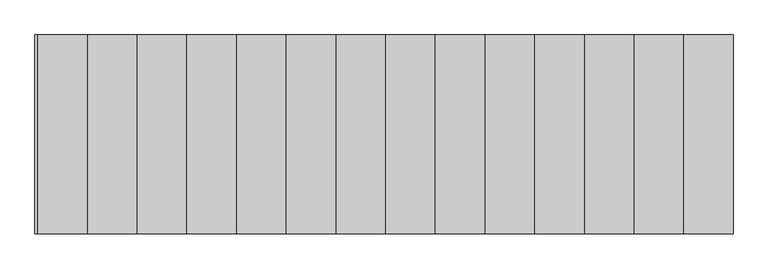
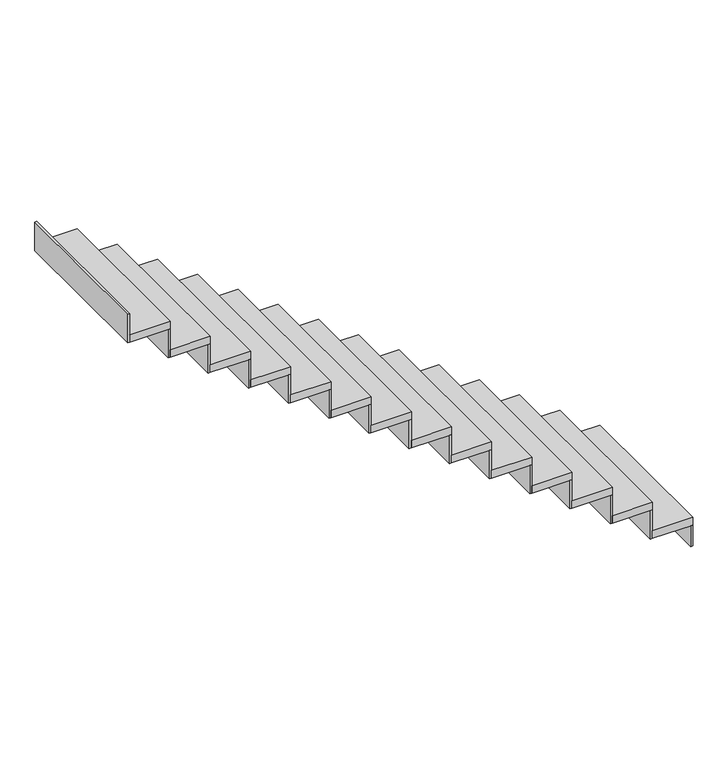
"""IFC4 building model written with IfcOpenShell, lengths in millimetres: stair flight geometry."""

from ifc_helpers import new_model, si_unit, frame, origin, origin_with_axes, place, context, project, spatial, polyline, outline, extrude, source, transform, mapped, element, save


def stair_flight_abc99ac1(model_context):
    return source(origin(), model_context, "Body", "SweptSolid", [
        extrude(outline(polyline([(-7668.7558601, -656.6746244), (-7656.2558601, -656.6746244), (-7656.2558601, -1656.6746244), (-7668.7558601, -1656.6746244), (-7668.7558601, -656.6746244)])), origin_with_axes(), (0.0, 0.0, 1.0), 136.6666667),
        extrude(outline(polyline([(-7906.2558601, -1656.6746244), (-7906.2558601, -656.6746244), (-7656.2558601, -656.6746244), (-7656.2558601, -1656.6746244), (-7906.2558601, -1656.6746244)])), frame((0.0, 0.0, 136.6666667), z_axis=(0.0, 0.0, 1.0), x_axis=(1.0, 0.0, 0.0)), (0.0, 0.0, 1.0), 50.0),
        extrude(outline(polyline([(-7918.7558601, -656.6746244), (-7906.2558601, -656.6746244), (-7906.2558601, -1656.6746244), (-7918.7558601, -1656.6746244), (-7918.7558601, -656.6746244)])), frame((0.0, 0.0, 136.6666667), z_axis=(0.0, 0.0, 1.0), x_axis=(1.0, 0.0, 0.0)), (0.0, 0.0, 1.0), 186.6666667),
        extrude(outline(polyline([(-8156.2558601, -1656.6746244), (-8156.2558601, -656.6746244), (-7906.2558601, -656.6746244), (-7906.2558601, -1656.6746244), (-8156.2558601, -1656.6746244)])), frame((0.0, 0.0, 323.3333333), z_axis=(0.0, 0.0, 1.0), x_axis=(1.0, 0.0, 0.0)), (0.0, 0.0, 1.0), 50.0),
        extrude(outline(polyline([(-8168.7558601, -656.6746244), (-8156.2558601, -656.6746244), (-8156.2558601, -1656.6746244), (-8168.7558601, -1656.6746244), (-8168.7558601, -656.6746244)])), frame((0.0, 0.0, 323.3333333), z_axis=(0.0, 0.0, 1.0), x_axis=(1.0, 0.0, 0.0)), (0.0, 0.0, 1.0), 186.6666667),
        extrude(outline(polyline([(-8406.2558601, -1656.6746244), (-8406.2558601, -656.6746244), (-8156.2558601, -656.6746244), (-8156.2558601, -1656.6746244), (-8406.2558601, -1656.6746244)])), frame((0.0, 0.0, 510.0), z_axis=(0.0, 0.0, 1.0), x_axis=(1.0, 0.0, 0.0)), (0.0, 0.0, 1.0), 50.0),
        extrude(outline(polyline([(-8418.7558601, -656.6746244), (-8406.2558601, -656.6746244), (-8406.2558601, -1656.6746244), (-8418.7558601, -1656.6746244), (-8418.7558601, -656.6746244)])), frame((0.0, 0.0, 510.0), z_axis=(0.0, 0.0, 1.0), x_axis=(1.0, 0.0, 0.0)), (0.0, 0.0, 1.0), 186.6666667),
        extrude(outline(polyline([(-8656.2558601, -1656.6746244), (-8656.2558601, -656.6746244), (-8406.2558601, -656.6746244), (-8406.2558601, -1656.6746244), (-8656.2558601, -1656.6746244)])), frame((0.0, 0.0, 696.6666667), z_axis=(0.0, 0.0, 1.0), x_axis=(1.0, 0.0, 0.0)), (0.0, 0.0, 1.0), 50.0),
        extrude(outline(polyline([(-8668.7558601, -656.6746244), (-8656.2558601, -656.6746244), (-8656.2558601, -1656.6746244), (-8668.7558601, -1656.6746244), (-8668.7558601, -656.6746244)])), frame((0.0, 0.0, 696.6666667), z_axis=(0.0, 0.0, 1.0), x_axis=(1.0, 0.0, 0.0)), (0.0, 0.0, 1.0), 186.6666667),
        extrude(outline(polyline([(-8906.2558601, -1656.6746244), (-8906.2558601, -656.6746244), (-8656.2558601, -656.6746244), (-8656.2558601, -1656.6746244), (-8906.2558601, -1656.6746244)])), frame((0.0, 0.0, 883.3333333), z_axis=(0.0, 0.0, 1.0), x_axis=(1.0, 0.0, 0.0)), (0.0, 0.0, 1.0), 50.0),
        extrude(outline(polyline([(-8918.7558601, -656.6746244), (-8906.2558601, -656.6746244), (-8906.2558601, -1656.6746244), (-8918.7558601, -1656.6746244), (-8918.7558601, -656.6746244)])), frame((0.0, 0.0, 883.3333333), z_axis=(0.0, 0.0, 1.0), x_axis=(1.0, 0.0, 0.0)), (0.0, 0.0, 1.0), 186.6666667),
        extrude(outline(polyline([(-9156.2558601, -1656.6746244), (-9156.2558601, -656.6746244), (-8906.2558601, -656.6746244), (-8906.2558601, -1656.6746244), (-9156.2558601, -1656.6746244)])), frame((0.0, 0.0, 1070.0), z_axis=(0.0, 0.0, 1.0), x_axis=(1.0, 0.0, 0.0)), (0.0, 0.0, 1.0), 50.0),
        extrude(outline(polyline([(-9168.7558601, -656.6746244), (-9156.2558601, -656.6746244), (-9156.2558601, -1656.6746244), (-9168.7558601, -1656.6746244), (-9168.7558601, -656.6746244)])), frame((0.0, 0.0, 1070.0), z_axis=(0.0, 0.0, 1.0), x_axis=(1.0, 0.0, 0.0)), (0.0, 0.0, 1.0), 186.6666667),
        extrude(outline(polyline([(-9406.2558601, -1656.6746244), (-9406.2558601, -656.6746244), (-9156.2558601, -656.6746244), (-9156.2558601, -1656.6746244), (-9406.2558601, -1656.6746244)])), frame((0.0, 0.0, 1256.6666667), z_axis=(0.0, 0.0, 1.0), x_axis=(1.0, 0.0, 0.0)), (0.0, 0.0, 1.0), 50.0),
        extrude(outline(polyline([(-9418.7558601, -656.6746244), (-9406.2558601, -656.6746244), (-9406.2558601, -1656.6746244), (-9418.7558601, -1656.6746244), (-9418.7558601, -656.6746244)])), frame((0.0, 0.0, 1256.6666667), z_axis=(0.0, 0.0, 1.0), x_axis=(1.0, 0.0, 0.0)), (0.0, 0.0, 1.0), 186.6666667),
        extrude(outline(polyline([(-9656.2558601, -1656.6746244), (-9656.2558601, -656.6746244), (-9406.2558601, -656.6746244), (-9406.2558601, -1656.6746244), (-9656.2558601, -1656.6746244)])), frame((0.0, 0.0, 1443.3333333), z_axis=(0.0, 0.0, 1.0), x_axis=(1.0, 0.0, 0.0)), (0.0, 0.0, 1.0), 50.0),
        extrude(outline(polyline([(-9668.7558601, -656.6746244), (-9656.2558601, -656.6746244), (-9656.2558601, -1656.6746244), (-9668.7558601, -1656.6746244), (-9668.7558601, -656.6746244)])), frame((0.0, 0.0, 1443.3333333), z_axis=(0.0, 0.0, 1.0), x_axis=(1.0, 0.0, 0.0)), (0.0, 0.0, 1.0), 186.6666667),
        extrude(outline(polyline([(-9906.2558601, -1656.6746244), (-9906.2558601, -656.6746244), (-9656.2558601, -656.6746244), (-9656.2558601, -1656.6746244), (-9906.2558601, -1656.6746244)])), frame((0.0, 0.0, 1630.0), z_axis=(0.0, 0.0, 1.0), x_axis=(1.0, 0.0, 0.0)), (0.0, 0.0, 1.0), 50.0),
        extrude(outline(polyline([(-9918.7558601, -656.6746244), (-9906.2558601, -656.6746244), (-9906.2558601, -1656.6746244), (-9918.7558601, -1656.6746244), (-9918.7558601, -656.6746244)])), frame((0.0, 0.0, 1630.0), z_axis=(0.0, 0.0, 1.0), x_axis=(1.0, 0.0, 0.0)), (0.0, 0.0, 1.0), 186.6666667),
        extrude(outline(polyline([(-10156.2558601, -1656.6746244), (-10156.2558601, -656.6746244), (-9906.2558601, -656.6746244), (-9906.2558601, -1656.6746244), (-10156.2558601, -1656.6746244)])), frame((0.0, 0.0, 1816.6666667), z_axis=(0.0, 0.0, 1.0), x_axis=(1.0, 0.0, 0.0)), (0.0, 0.0, 1.0), 50.0),
        extrude(outline(polyline([(-10168.7558601, -656.6746244), (-10156.2558601, -656.6746244), (-10156.2558601, -1656.6746244), (-10168.7558601, -1656.6746244), (-10168.7558601, -656.6746244)])), frame((0.0, 0.0, 1816.6666667), z_axis=(0.0, 0.0, 1.0), x_axis=(1.0, 0.0, 0.0)), (0.0, 0.0, 1.0), 186.6666667),
        extrude(outline(polyline([(-10406.2558601, -1656.6746244), (-10406.2558601, -656.6746244), (-10156.2558601, -656.6746244), (-10156.2558601, -1656.6746244), (-10406.2558601, -1656.6746244)])), frame((0.0, 0.0, 2003.3333333), z_axis=(0.0, 0.0, 1.0), x_axis=(1.0, 0.0, 0.0)), (0.0, 0.0, 1.0), 50.0),
        extrude(outline(polyline([(-10418.7558601, -656.6746244), (-10406.2558601, -656.6746244), (-10406.2558601, -1656.6746244), (-10418.7558601, -1656.6746244), (-10418.7558601, -656.6746244)])), frame((0.0, 0.0, 2003.3333333), z_axis=(0.0, 0.0, 1.0), x_axis=(1.0, 0.0, 0.0)), (0.0, 0.0, 1.0), 186.6666667),
        extrude(outline(polyline([(-10656.2558601, -1656.6746244), (-10656.2558601, -656.6746244), (-10406.2558601, -656.6746244), (-10406.2558601, -1656.6746244), (-10656.2558601, -1656.6746244)])), frame((0.0, 0.0, 2190.0), z_axis=(0.0, 0.0, 1.0), x_axis=(1.0, 0.0, 0.0)), (0.0, 0.0, 1.0), 50.0),
        extrude(outline(polyline([(-10668.7558601, -656.6746244), (-10656.2558601, -656.6746244), (-10656.2558601, -1656.6746244), (-10668.7558601, -1656.6746244), (-10668.7558601, -656.6746244)])), frame((0.0, 0.0, 2190.0), z_axis=(0.0, 0.0, 1.0), x_axis=(1.0, 0.0, 0.0)), (0.0, 0.0, 1.0), 186.6666667),
        extrude(outline(polyline([(-10906.2558601, -1656.6746244), (-10906.2558601, -656.6746244), (-10656.2558601, -656.6746244), (-10656.2558601, -1656.6746244), (-10906.2558601, -1656.6746244)])), frame((0.0, 0.0, 2376.6666667), z_axis=(0.0, 0.0, 1.0), x_axis=(1.0, 0.0, 0.0)), (0.0, 0.0, 1.0), 50.0),
        extrude(outline(polyline([(-10918.7558601, -656.6746244), (-10906.2558601, -656.6746244), (-10906.2558601, -1656.6746244), (-10918.7558601, -1656.6746244), (-10918.7558601, -656.6746244)])), frame((0.0, 0.0, 2376.6666667), z_axis=(0.0, 0.0, 1.0), x_axis=(1.0, 0.0, 0.0)), (0.0, 0.0, 1.0), 186.6666667),
        extrude(outline(polyline([(-11168.7558601, -656.6746244), (-11156.2558601, -656.6746244), (-11156.2558601, -1656.6746244), (-11168.7558601, -1656.6746244), (-11168.7558601, -656.6746244)])), frame((0.0, 0.0, 2563.3333333), z_axis=(0.0, 0.0, 1.0), x_axis=(1.0, 0.0, 0.0)), (0.0, 0.0, 1.0), 186.6666667),
        extrude(outline(polyline([(-11156.2558601, -1656.6746244), (-11156.2558601, -656.6746244), (-10906.2558601, -656.6746244), (-10906.2558601, -1656.6746244), (-11156.2558601, -1656.6746244)])), frame((0.0, 0.0, 2563.3333333), z_axis=(0.0, 0.0, 1.0), x_axis=(1.0, 0.0, 0.0)), (0.0, 0.0, 1.0), 50.0),
    ])


if __name__ == "__main__":
    model = new_model("IFC4")
    model_context = context("Model", 3, world=origin())
    ifc_project = project(units=[si_unit("LENGTHUNIT", "METRE", prefix="MILLI")], contexts=[model_context])
    site = spatial("IfcSite", under=ifc_project)
    building = spatial("IfcBuilding", under=site)
    placement = place(None, origin())
    stair_flight_shape = stair_flight_abc99ac1(model_context)
    element("IfcStairFlight", 1, at=placement, inside=building, context=model_context, shape_type="MappedRepresentation", body=[
        mapped(stair_flight_shape, transform((0.0, 0.0, 0.0), x_axis=(1.0, 0.0, 0.0), y_axis=(0.0, 1.0, 0.0), z_axis=(0.0, 0.0, 1.0))),
    ])
    save(model, "model.ifc")
